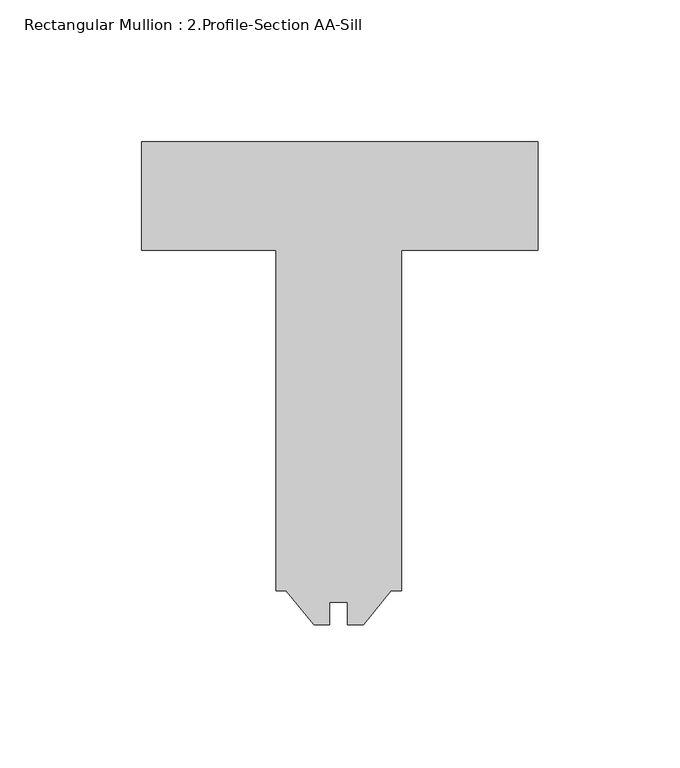
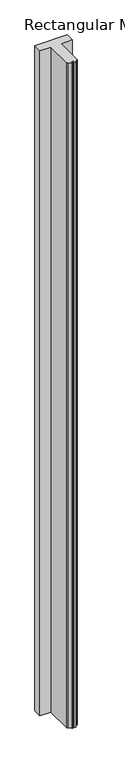
"""IFC4 building model written with IfcOpenShell, lengths in millimetres: member geometry, Rectangular Mullion : 2.Profile-Section AA-Sill."""

from ifc_helpers import new_model, si_unit, frame, origin, place, context, project, spatial, polyline, outline, extrude, source, transform, mapped, element, save


def rectangular_mullion_2_profile_section_aa_sill_dc46850a(model_context):
    return source(origin(), model_context, "Body", "SweptSolid", [
        extrude(outline(polyline([(-67.1261769, -125.39345), (-67.1261769, -117.4496), (-73.4761769, -117.4496), (-73.4761769, -125.39345), (-79.0514769, -125.39345), (-88.8200129, -113.4872), (-92.3991769, -113.4872), (-92.3991769, 6.5713123), (-139.7, 6.5713123), (-139.7, 44.6713123), (0.0, 44.6713123), (0.0, 6.5713123), (-48.2031769, 6.5713123), (-48.2031769, -113.4872), (-51.7823409, -113.4872), (-61.5508769, -125.39345), (-67.1261769, -125.39345)])), frame((0.0, 0.0, -3048.0), z_axis=(0.0, 0.0, 1.0), x_axis=(1.0, 0.0, 0.0)), (0.0, 0.0, 1.0), 3048.0),
    ])


if __name__ == "__main__":
    model = new_model("IFC4")
    model_context = context("Model", 3, world=origin())
    ifc_project = project(units=[si_unit("LENGTHUNIT", "METRE", prefix="MILLI")], contexts=[model_context])
    site = spatial("IfcSite", under=ifc_project)
    building = spatial("IfcBuilding", under=site)
    placement = place(None, origin())
    rectangular_mullion_2_profile_section_aa_sill_shape = rectangular_mullion_2_profile_section_aa_sill_dc46850a(model_context)
    element("IfcMember", 1, ObjectType="Rectangular Mullion : 2.Profile-Section AA-Sill", at=placement, inside=building, context=model_context, shape_type="MappedRepresentation", body=[
        mapped(rectangular_mullion_2_profile_section_aa_sill_shape, transform((0.0, 0.0, 0.0), x_axis=(1.0, 0.0, 0.0), y_axis=(0.0, 1.0, 0.0), z_axis=(0.0, 0.0, 1.0))),
    ])
    save(model, "model.ifc")
